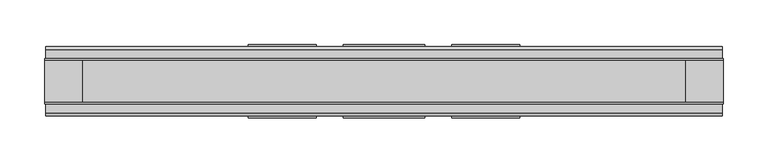
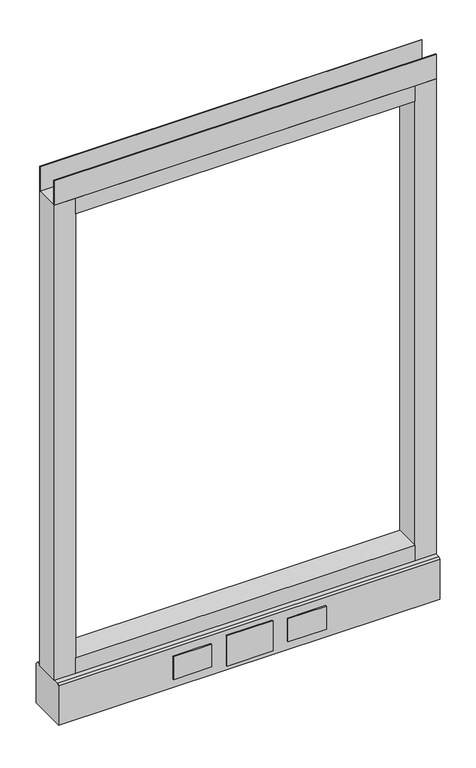
"""IFC4 building model written with IfcOpenShell, lengths in millimetres: furniture geometry."""

from ifc_helpers import new_model, si_unit, point, frame, frame_2d, origin, place, context, project, spatial, polyline, circle_curve, trimmed, segment, composite_curve, outline, extrude, source, transform, mapped, element, save
from ifc_brep_helpers import plane_surface, revolved_surface, advanced_brep


def furniture_738ac866(model_context):
    return source(origin(), model_context, "Body", "SolidModel", [
        advanced_brep(
        [(311.15, 0.0, 6.35), (336.55, 0.0, 6.35), (304.8, 0.0, 0.0), (342.9, 0.0, 0.0)],
        [
            (0, 1, circle_curve(frame((323.85, 0.0, 6.35), z_axis=(0.0, 0.0, 1.0), x_axis=(-1.0, 0.0, 0.0)), 12.7)),
            (1, 0, circle_curve(frame((323.85, 0.0, 6.35), z_axis=(0.0, 0.0, 1.0), x_axis=(1.0, 0.0, 0.0)), 12.7)),
            (2, 3, circle_curve(frame((323.85, 0.0, 0.0), z_axis=(0.0, 0.0, -1.0), x_axis=(1.0, 0.0, 0.0)), 19.05)),
            (3, 2, circle_curve(frame((323.85, 0.0, 0.0), z_axis=(0.0, 0.0, -1.0), x_axis=(-1.0, 0.0, 0.0)), 19.05)),
            (3, 1),
            (0, 2),
        ],
        [
            plane_surface(frame((323.85, 0.0, 6.35), z_axis=(0.0, 0.0, 1.0), x_axis=(0.0, -1.0, 0.0))),
            plane_surface(frame((323.85, 0.0, 0.0), z_axis=(0.0, 0.0, -1.0), x_axis=(0.0, -1.0, 0.0))),
            revolved_surface(polyline([(311.15000000000003, 0.0, 6.35), (304.8, 0.0, 0.0)]), (323.85, 0.0, 19.05), (0.0, 0.0, -1.0)),
            revolved_surface(polyline([(336.55, 0.0, 6.35), (342.9, 0.0, 0.0)]), (323.85, 0.0, 19.05), (0.0, 0.0, -1.0)),
        ],
        [
            (0, [[1, 2]]),
            (1, [[3, 4]]),
            (2, [[-4, 5, -1, 6]]),
            (3, [[-3, -6, -2, -5]]),
        ],
    ),
        advanced_brep(
        [(-336.55, 0.0, 6.35), (-311.15, 0.0, 6.35), (-342.9, 0.0, 0.0), (-304.8, 0.0, 0.0)],
        [
            (0, 1, circle_curve(frame((-323.85, 0.0, 6.35), z_axis=(0.0, 0.0, 1.0), x_axis=(-1.0, 0.0, 0.0)), 12.7)),
            (1, 0, circle_curve(frame((-323.85, 0.0, 6.35), z_axis=(0.0, 0.0, 1.0), x_axis=(1.0, 0.0, 0.0)), 12.7)),
            (2, 3, circle_curve(frame((-323.85, 0.0, 0.0), z_axis=(0.0, 0.0, -1.0), x_axis=(1.0, 0.0, 0.0)), 19.05)),
            (3, 2, circle_curve(frame((-323.85, 0.0, 0.0), z_axis=(0.0, 0.0, -1.0), x_axis=(-1.0, 0.0, 0.0)), 19.05)),
            (3, 1),
            (0, 2),
        ],
        [
            plane_surface(frame((-323.85, 0.0, 6.35), z_axis=(0.0, 0.0, 1.0), x_axis=(0.0, -1.0, 0.0))),
            plane_surface(frame((-323.85, 0.0, 0.0), z_axis=(0.0, 0.0, -1.0), x_axis=(0.0, -1.0, 0.0))),
            revolved_surface(polyline([(-336.55, 0.0, 6.35), (-342.9, 0.0, 0.0)]), (-323.85, 0.0, 19.05), (0.0, 0.0, -1.0)),
            revolved_surface(polyline([(-311.15000000000003, 0.0, 6.35), (-304.8, 0.0, 0.0)]), (-323.85, 0.0, 19.05), (0.0, 0.0, -1.0)),
        ],
        [
            (0, [[1, 2]]),
            (1, [[3, 4]]),
            (2, [[-4, 5, -1, 6]]),
            (3, [[-3, -6, -2, -5]]),
        ],
    ),
        extrude(outline(polyline([(152.4, 39.0921875), (76.2, 39.0921875), (76.2, 41.4020035), (152.4, 41.4020035), (152.4, 39.0921875)])), frame((0.0, 0.0, 32.512), z_axis=(0.0, 0.0, 1.0), x_axis=(1.0, 0.0, 0.0)), (0.0, 0.0, 1.0), 48.26),
        extrude(outline(polyline([(45.7708, 39.0921875), (-45.7708, 39.0921875), (-45.7708, 41.4020035), (45.7708, 41.4020035), (45.7708, 39.0921875)])), frame((0.0, 0.0, 23.8125), z_axis=(0.0, 0.0, 1.0), x_axis=(1.0, 0.0, 0.0)), (0.0, 0.0, 1.0), 63.5),
        extrude(outline(polyline([(-76.2, 39.0921875), (-152.4, 39.0921875), (-152.4, 41.4020035), (-76.2, 41.4020035), (-76.2, 39.0921875)])), frame((0.0, 0.0, 32.512), z_axis=(0.0, 0.0, 1.0), x_axis=(1.0, 0.0, 0.0)), (0.0, 0.0, 1.0), 48.26),
        extrude(outline(polyline([(152.4, -41.4019923), (76.2, -41.4019923), (76.2, -39.0921875), (152.4, -39.0921875), (152.4, -41.4019923)])), frame((0.0, 0.0, 32.512), z_axis=(0.0, 0.0, 1.0), x_axis=(1.0, 0.0, 0.0)), (0.0, 0.0, 1.0), 48.26),
        extrude(outline(polyline([(-76.2, -41.4019923), (-152.4, -41.4019923), (-152.4, -39.0921875), (-76.2, -39.0921875), (-76.2, -41.4019923)])), frame((0.0, 0.0, 32.512), z_axis=(0.0, 0.0, 1.0), x_axis=(1.0, 0.0, 0.0)), (0.0, 0.0, 1.0), 48.26),
        extrude(outline(polyline([(45.7708, -41.4019923), (-45.7708, -41.4019923), (-45.7708, -39.0921875), (45.7708, -39.0921875), (45.7708, -41.4019923)])), frame((0.0, 0.0, 23.8125), z_axis=(0.0, 0.0, 1.0), x_axis=(1.0, 0.0, 0.0)), (0.0, 0.0, 1.0), 63.5),
        extrude(outline(polyline([(381.0, -23.8125), (381.0, -25.4), (-381.0, -25.4), (-381.0, -23.8125), (381.0, -23.8125)])), frame((0.0, 0.0, 1102.233), z_axis=(0.0, 0.0, 1.0), x_axis=(1.0, 0.0, 0.0)), (0.0, 0.0, 1.0), 51.435),
        extrude(outline(polyline([(381.0, 25.4), (381.0, 23.8125), (-381.0, 23.8125), (-381.0, 25.4), (381.0, 25.4)])), frame((0.0, 0.0, 1102.233), z_axis=(0.0, 0.0, 1.0), x_axis=(1.0, 0.0, 0.0)), (0.0, 0.0, 1.0), 51.435),
        extrude(outline(polyline([(338.1375, -25.4), (-338.1375, -25.4), (-338.1375, 25.4), (338.1375, 25.4), (338.1375, -25.4)])), frame((0.0, 0.0, 1069.34), z_axis=(0.0, 0.0, 1.0), x_axis=(1.0, 0.0, 0.0)), (0.0, 0.0, 1.0), 32.893),
        extrude(outline(polyline([(338.1375, -25.4), (-338.1375, -25.4), (-338.1375, 25.4), (338.1375, 25.4), (338.1375, -25.4)])), frame((0.0, 0.0, 101.6), z_axis=(0.0, 0.0, 1.0), x_axis=(1.0, 0.0, 0.0)), (0.0, 0.0, 1.0), 32.893),
        extrude(outline(composite_curve([segment(trimmed(circle_curve(frame_2d((-323.85, 0.0)), 5.55625), [point((-329.40625, 0.0))], [point((-318.29375, 0.0))], False, "CARTESIAN"), True, "CONTINUOUS"), segment(trimmed(circle_curve(frame_2d((-323.85, 0.0)), 5.55625), [point((-318.29375, 0.0))], [point((-329.40625, 0.0))], False, "CARTESIAN"), True, "CONTINUOUS")], self_intersect=False)), frame((0.0, 0.0, 6.35), z_axis=(0.0, 0.0, 1.0), x_axis=(1.0, 0.0, 0.0)), (0.0, 0.0, 1.0), 7.9375),
        extrude(outline(composite_curve([segment(trimmed(circle_curve(frame_2d((323.85, 0.0)), 5.55625), [point((318.29375, 0.0))], [point((329.40625, 0.0))], False, "CARTESIAN"), True, "CONTINUOUS"), segment(trimmed(circle_curve(frame_2d((323.85, 0.0)), 5.55625), [point((329.40625, 0.0))], [point((318.29375, 0.0))], False, "CARTESIAN"), True, "CONTINUOUS")], self_intersect=False)), frame((0.0, 0.0, 6.35), z_axis=(0.0, 0.0, 1.0), x_axis=(1.0, 0.0, 0.0)), (0.0, 0.0, 1.0), 7.9375),
        extrude(outline(polyline([(-338.1375, -25.4), (-381.0, -25.4), (-381.0, 25.4), (-338.1375, 25.4), (-338.1375, -25.4)])), frame((0.0, 0.0, 101.6), z_axis=(0.0, 0.0, 1.0), x_axis=(1.0, 0.0, 0.0)), (0.0, 0.0, 1.0), 1000.633),
        extrude(outline(polyline([(381.0, -25.4), (338.1375, -25.4), (338.1375, 25.4), (381.0, 25.4), (381.0, -25.4)])), frame((0.0, 0.0, 101.6), z_axis=(0.0, 0.0, 1.0), x_axis=(1.0, 0.0, 0.0)), (0.0, 0.0, 1.0), 1000.633),
        extrude(outline(polyline([(-35.9171875, 101.6), (35.9171875, 101.6), (39.0921875, 98.425), (39.0921875, 14.2875), (-39.0921875, 14.2875), (-39.0921875, 98.425), (-35.9171875, 101.6)])), frame((-379.857, 0.0, 0.0), z_axis=(1.0, 0.0, 0.0), x_axis=(0.0, 1.0, 0.0)), (0.0, 0.0, 1.0), 759.7140102),
    ])


if __name__ == "__main__":
    model = new_model("IFC4")
    model_context = context("Model", 3, world=origin())
    ifc_project = project(units=[si_unit("LENGTHUNIT", "METRE", prefix="MILLI")], contexts=[model_context])
    site = spatial("IfcSite", under=ifc_project)
    building = spatial("IfcBuilding", under=site)
    placement = place(None, origin())
    furniture_shape = furniture_738ac866(model_context)
    element("IfcFurniture", 1, at=placement, inside=building, context=model_context, shape_type="MappedRepresentation", body=[
        mapped(furniture_shape, transform((0.0, 0.0, 0.0), x_axis=(1.0, 0.0, 0.0), y_axis=(0.0, 1.0, 0.0), z_axis=(0.0, 0.0, 1.0))),
    ])
    save(model, "model.ifc")
